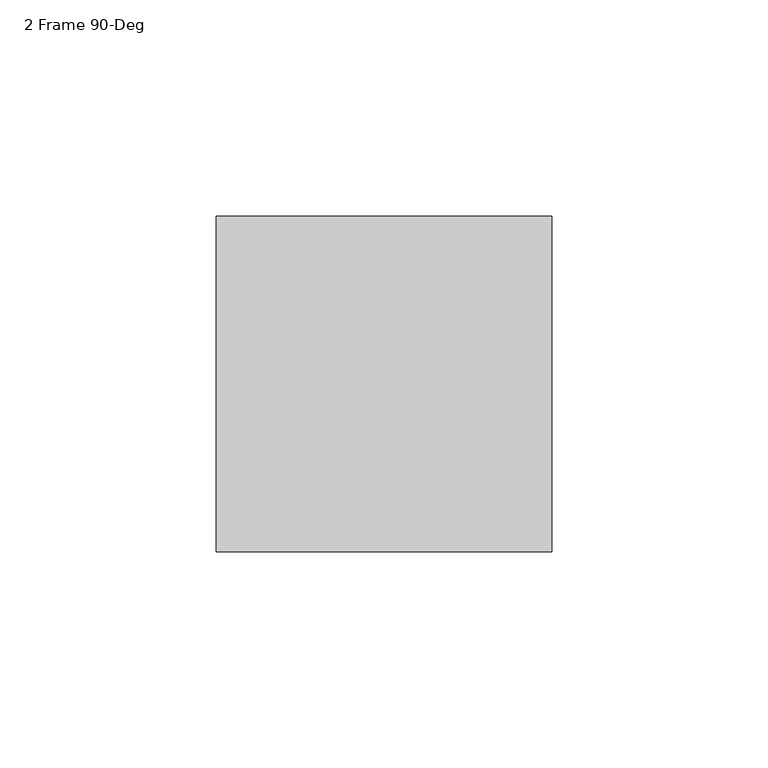
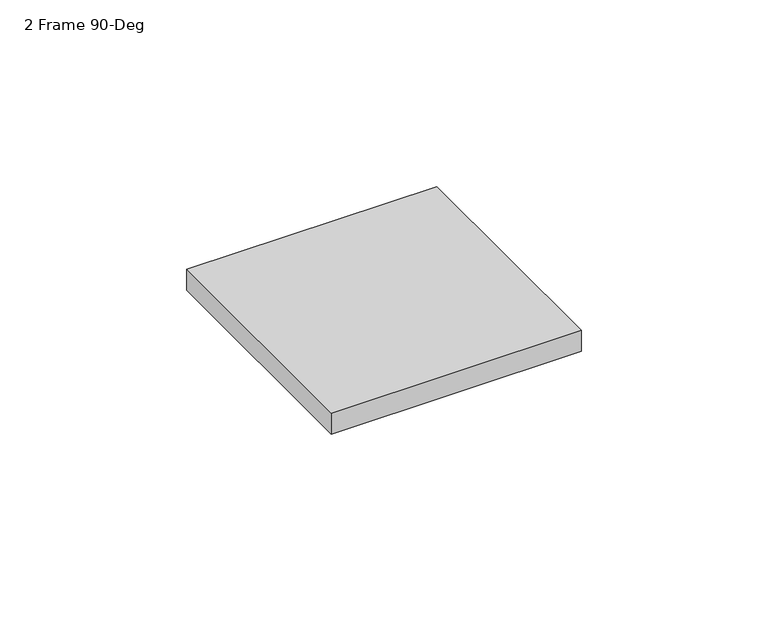
"""IFC4 building model written with IfcOpenShell, lengths in millimetres: furniture geometry, 2 Frame 90-Deg."""

from ifc_helpers import new_model, si_unit, frame, origin, place, context, project, spatial, polyline, outline, extrude, source, transform, mapped, element, save


def furniture_2_frame_90_deg_b56daf1b(model_context):
    return source(origin(), model_context, "Body", "SweptSolid", [
        extrude(outline(polyline([(-283.31795, 38.7477), (-283.31795, -38.7223), (-360.78795, -38.7223), (-360.78795, 38.7477), (-283.31795, 38.7477)])), frame((0.0, 0.0, 1048.766), z_axis=(0.0, 0.0, 1.0), x_axis=(1.0, 0.0, 0.0)), (0.0, 0.0, 1.0), 6.858),
    ])


if __name__ == "__main__":
    model = new_model("IFC4")
    model_context = context("Model", 3, world=origin())
    ifc_project = project(units=[si_unit("LENGTHUNIT", "METRE", prefix="MILLI")], contexts=[model_context])
    site = spatial("IfcSite", under=ifc_project)
    building = spatial("IfcBuilding", under=site)
    placement = place(None, origin())
    furniture_2_frame_90_deg_shape = furniture_2_frame_90_deg_b56daf1b(model_context)
    element("IfcFurniture", 1, ObjectType="2 Frame 90-Deg", at=placement, inside=building, context=model_context, shape_type="MappedRepresentation", body=[
        mapped(furniture_2_frame_90_deg_shape, transform((0.0, 0.0, 0.0), x_axis=(1.0, 0.0, 0.0), y_axis=(0.0, 1.0, 0.0), z_axis=(0.0, 0.0, 1.0))),
    ])
    save(model, "model.ifc")
